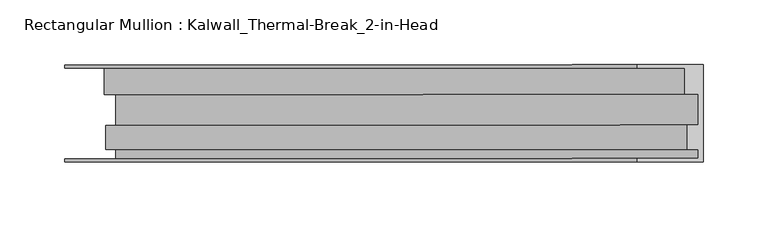
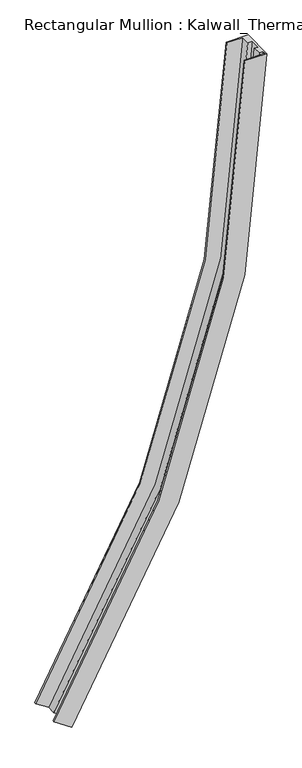
"""IFC4 building model written with IfcOpenShell, lengths in millimetres: member geometry, Rectangular Mullion : Kalwall_Thermal-Break_2-in-Head."""

from ifc_helpers import new_model, si_unit, frame, origin, place, context, project, spatial, polyline, circle_curve, source, transform, mapped, element, save
from ifc_brep_helpers import plane_surface, cylinder_surface, revolved_surface, advanced_brep


def rectangular_mullion_kalwall_thermal_break_2_in_head_422344d4(model_context):
    return source(origin(), model_context, "Body", "AdvancedBrep", [
        advanced_brep(
        [(-450.3198869, 37.5023614, -1486.4795383), (0.0, 37.5023614, 0.0), (0.0, -37.5776386, 0.0), (-450.3198869, -37.5776386, -1486.4795383), (-492.5793545, 37.5023614, -1458.2877416), (-50.8, 37.5023614, 0.0), (-492.5793545, 34.9623614, -1458.2877416), (-50.8, 34.9623614, 0.0), (-462.1102784, 34.9623614, -1478.614027), (-14.1732, 34.9623614, 0.0), (-462.1102784, 14.7439614, -1478.614027), (-14.1732, 14.7439614, 0.0), (-453.4048281, 14.7439614, -1484.4215372), (-3.7084, 14.7439614, 0.0), (-453.4048281, -9.1879886, -1484.4215372), (-3.7084, -9.1879886, 0.0), (-460.9906137, -9.1879886, -1479.3609687), (-12.8272539, -9.1879886, 0.0), (-460.9906137, -27.8888568, -1479.3609687), (-12.8272539, -27.8888568, 0.0), (-453.4048281, -27.8888568, -1484.4215372), (-3.7084, -27.8888568, 0.0), (-453.4048281, -35.0376386, -1484.4215372), (-3.7084, -35.0376386, 0.0), (-492.5793545, -35.0376386, -1458.2877416), (-50.8, -35.0376386, 0.0), (-492.5793545, -37.5776386, -1458.2877416), (-50.8, -37.5776386, 0.0)],
        [
            (0, 1, circle_curve(frame((-2678.5508351, 37.5023614, 0.0), z_axis=(0.0, -1.0, 0.0), x_axis=(1.0, 0.0, 0.0)), 2678.5508351)),
            (1, 2),
            (2, 3, circle_curve(frame((-2678.5508351, -37.5776386, 0.0), z_axis=(0.0, 1.0, 0.0), x_axis=(1.0, 0.0, 0.0)), 2678.5508351)),
            (3, 0),
            (4, 5, circle_curve(frame((-2678.5508351, 37.5023614, 0.0), z_axis=(0.0, -1.0, 0.0), x_axis=(1.0, 0.0, 0.0)), 2627.7508351)),
            (5, 1),
            (0, 4),
            (6, 7, circle_curve(frame((-2678.5508351, 34.9623614, 0.0), z_axis=(0.0, -1.0, 0.0), x_axis=(1.0, 0.0, 0.0)), 2627.7508351)),
            (7, 5),
            (4, 6),
            (8, 9, circle_curve(frame((-2678.5508351, 34.9623614, 0.0), z_axis=(0.0, -1.0, 0.0), x_axis=(1.0, 0.0, 0.0)), 2664.3776351)),
            (9, 7),
            (6, 8),
            (10, 11, circle_curve(frame((-2678.5508351, 14.7439614, 0.0), z_axis=(0.0, -1.0, 0.0), x_axis=(1.0, 0.0, 0.0)), 2664.3776351)),
            (11, 9),
            (8, 10),
            (12, 13, circle_curve(frame((-2678.5508351, 14.7439614, 0.0), z_axis=(0.0, -1.0, 0.0), x_axis=(1.0, 0.0, 0.0)), 2674.8424351)),
            (13, 11),
            (10, 12),
            (14, 15, circle_curve(frame((-2678.5508351, -9.1879886, 0.0), z_axis=(0.0, -1.0, 0.0), x_axis=(1.0, 0.0, 0.0)), 2674.8424351)),
            (15, 13),
            (12, 14),
            (16, 17, circle_curve(frame((-2678.5508351, -9.1879886, 0.0), z_axis=(0.0, -1.0, 0.0), x_axis=(1.0, 0.0, 0.0)), 2665.7235812)),
            (17, 15),
            (14, 16),
            (18, 19, circle_curve(frame((-2678.5508351, -27.8888568, 0.0), z_axis=(0.0, -1.0, 0.0), x_axis=(1.0, 0.0, 0.0)), 2665.7235812)),
            (19, 17),
            (16, 18),
            (20, 21, circle_curve(frame((-2678.5508351, -27.8888568, 0.0), z_axis=(0.0, -1.0, 0.0), x_axis=(1.0, 0.0, 0.0)), 2674.8424351)),
            (21, 19),
            (18, 20),
            (22, 23, circle_curve(frame((-2678.5508351, -35.0376386, 0.0), z_axis=(0.0, -1.0, 0.0), x_axis=(1.0, 0.0, 0.0)), 2674.8424351)),
            (23, 21),
            (20, 22),
            (24, 25, circle_curve(frame((-2678.5508351, -35.0376386, 0.0), z_axis=(0.0, -1.0, 0.0), x_axis=(1.0, 0.0, 0.0)), 2627.7508351)),
            (25, 23),
            (22, 24),
            (26, 27, circle_curve(frame((-2678.5508351, -37.5776386, 0.0), z_axis=(0.0, -1.0, 0.0), x_axis=(1.0, 0.0, 0.0)), 2627.7508351)),
            (27, 25),
            (24, 26),
            (2, 27),
            (26, 3),
        ],
        [
            cylinder_surface(frame((-2678.5508351, 0.0, 0.0), z_axis=(0.0, 1.0, 0.0), x_axis=(1.0, 0.0, 0.0)), 2678.5508351),
            plane_surface(frame((-2678.5508351, 37.5023614, 0.0), z_axis=(0.0, 1.0, 0.0), x_axis=(1.0, 0.0, 0.0))),
            revolved_surface(polyline([(-50.79999999999973, 37.5023614, 0.0), (-50.79999999999973, 34.9623614, 0.0)]), (-2678.5508351, 0.0, 0.0), (0.0, 1.0, 0.0)),
            plane_surface(frame((-2678.5508351, 34.9623614, 0.0), z_axis=(0.0, -1.0, 0.0), x_axis=(1.0, 0.0, 0.0))),
            revolved_surface(polyline([(-14.173199999999724, 34.9623614, 0.0), (-14.173199999999724, 14.7439614, 0.0)]), (-2678.5508351, 0.0, 0.0), (0.0, 1.0, 0.0)),
            plane_surface(frame((-2678.5508351, 14.7439614, 0.0), z_axis=(0.0, -1.0, 0.0), x_axis=(1.0, 0.0, 0.0))),
            revolved_surface(polyline([(-3.7083999999999833, 14.7439614, 0.0), (-3.7083999999999833, -9.1879886, 0.0)]), (-2678.5508351, 0.0, 0.0), (0.0, 1.0, 0.0)),
            plane_surface(frame((-2678.5508351, -9.1879886, 0.0), z_axis=(0.0, 1.0, 0.0), x_axis=(1.0, 0.0, 0.0))),
            revolved_surface(polyline([(-12.82725389999996, -9.1879886, 0.0), (-12.82725389999996, -27.8888568, 0.0)]), (-2678.5508351, 0.0, 0.0), (0.0, 1.0, 0.0)),
            plane_surface(frame((-2678.5508351, -27.8888568, 0.0), z_axis=(0.0, -1.0, 0.0), x_axis=(1.0, 0.0, 0.0))),
            revolved_surface(polyline([(-3.7083999999999833, -27.8888568, 0.0), (-3.7083999999999833, -35.0376386, 0.0)]), (-2678.5508351, 0.0, 0.0), (0.0, 1.0, 0.0)),
            plane_surface(frame((-2678.5508351, -35.0376386, 0.0), z_axis=(0.0, 1.0, 0.0), x_axis=(1.0, 0.0, 0.0))),
            revolved_surface(polyline([(-50.79999999999973, -35.0376386, 0.0), (-50.79999999999973, -37.5776386, 0.0)]), (-2678.5508351, 0.0, 0.0), (0.0, 1.0, 0.0)),
            plane_surface(frame((-2678.5508351, -37.5776386, 0.0), z_axis=(0.0, -1.0, 0.0), x_axis=(1.0, 0.0, 0.0))),
            plane_surface(frame((-304.8, 0.0, 0.0), z_axis=(0.0, 0.0, 1.0), x_axis=(0.0, 1.0, 0.0))),
            plane_surface(frame((-196.7630815, 0.0, -1655.6303184), z_axis=(-0.5549566275981168, 0.0, -0.8318792830001991), x_axis=(0.0, -1.0, 0.0))),
        ],
        [
            (0, [[1, 2, 3, 4]]),
            (1, [[5, 6, -1, 7]]),
            (2, [[8, 9, -5, 10]]),
            (3, [[11, 12, -8, 13]]),
            (4, [[14, 15, -11, 16]]),
            (5, [[17, 18, -14, 19]]),
            (6, [[20, 21, -17, 22]]),
            (7, [[23, 24, -20, 25]]),
            (8, [[26, 27, -23, 28]]),
            (9, [[29, 30, -26, 31]]),
            (10, [[32, 33, -29, 34]]),
            (11, [[35, 36, -32, 37]]),
            (12, [[38, 39, -35, 40]]),
            (13, [[-3, 41, -38, 42]]),
            (14, [[-2, -6, -9, -12, -15, -18, -21, -24, -27, -30, -33, -36, -39, -41]]),
            (15, [[-42, -40, -37, -34, -31, -28, -25, -22, -19, -16, -13, -10, -7, -4]]),
        ],
    ),
    ])


if __name__ == "__main__":
    model = new_model("IFC4")
    model_context = context("Model", 3, world=origin())
    ifc_project = project(units=[si_unit("LENGTHUNIT", "METRE", prefix="MILLI")], contexts=[model_context])
    site = spatial("IfcSite", under=ifc_project)
    building = spatial("IfcBuilding", under=site)
    placement = place(None, origin())
    rectangular_mullion_kalwall_thermal_break_2_in_head_shape = rectangular_mullion_kalwall_thermal_break_2_in_head_422344d4(model_context)
    element("IfcMember", 1, ObjectType="Rectangular Mullion : Kalwall_Thermal-Break_2-in-Head", at=placement, inside=building, context=model_context, shape_type="MappedRepresentation", body=[
        mapped(rectangular_mullion_kalwall_thermal_break_2_in_head_shape, transform((0.0, 0.0, 0.0), x_axis=(1.0, 0.0, 0.0), y_axis=(0.0, 1.0, 0.0), z_axis=(0.0, 0.0, 1.0))),
    ])
    save(model, "model.ifc")
